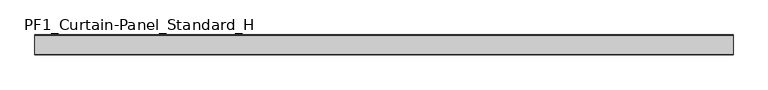
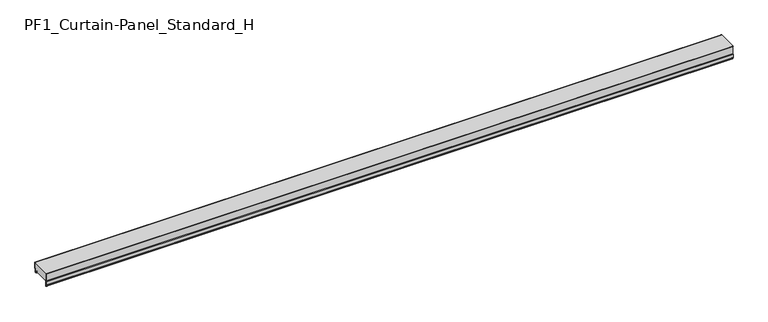
"""IFC4 building model written with IfcOpenShell, lengths in millimetres: plate geometry, PF1_Curtain-Panel_Standard_H."""

from ifc_helpers import new_model, si_unit, point, frame, frame_2d, origin, place, context, project, spatial, polyline, circle_curve, trimmed, segment, composite_curve, outline, extrude, source, transform, mapped, element, save


def pf1_curtain_panel_standard_h_df0beced(model_context):
    return source(origin(), model_context, "Body", "SweptSolid", [
        extrude(outline(composite_curve([segment(polyline([(-15.878557, 0.0), (-20.0, 0.0), (-20.0, 0.8), (-15.878557, 0.8)]), True, "CONTINUOUS"), segment(trimmed(circle_curve(frame_2d((-15.878557, -2.0)), 2.8), [point((-15.878557, 0.8))], [point((-13.1503208, -1.370137))], False, "CARTESIAN"), True, "CONTINUOUS"), segment(polyline([(-13.1503208, -1.370137), (-11.728236, -7.529863)]), True, "CONTINUOUS"), segment(trimmed(circle_curve(frame_2d((-9.0, -6.9)), 2.8), [point((-11.728236, -7.529863))], [point((-6.2, -6.9))], True, "CARTESIAN"), True, "CONTINUOUS"), segment(polyline([(-6.2, -6.9), (-6.2, 8.6)]), True, "CONTINUOUS"), segment(trimmed(circle_curve(frame_2d((-3.4, 8.6)), 2.8), [point((-6.2, 8.6))], [point((-3.4, 11.4))], False, "CARTESIAN"), True, "CONTINUOUS"), segment(polyline([(-3.4, 11.4), (-2.0, 11.4)]), True, "CONTINUOUS"), segment(trimmed(circle_curve(frame_2d((-2.0, 12.6)), 1.2), [point((-2.0, 11.4))], [point((-0.8, 12.6))], True, "CARTESIAN"), True, "CONTINUOUS"), segment(polyline([(-0.8, 12.6), (-0.8, 50.0), (0.0, 50.0), (0.0, 12.6)]), True, "CONTINUOUS"), segment(trimmed(circle_curve(frame_2d((-2.0, 12.6)), 2.0), [point((0.0, 12.6))], [point((-2.0, 10.6))], False, "CARTESIAN"), True, "CONTINUOUS"), segment(polyline([(-2.0, 10.6), (-3.4, 10.6)]), True, "CONTINUOUS"), segment(trimmed(circle_curve(frame_2d((-3.4, 8.6)), 2.0), [point((-3.4, 10.6))], [point((-5.4, 8.6))], True, "CARTESIAN"), True, "CONTINUOUS"), segment(polyline([(-5.4, 8.6), (-5.4, -6.9)]), True, "CONTINUOUS"), segment(trimmed(circle_curve(frame_2d((-9.0, -6.9)), 3.6), [point((-5.4, -6.9))], [point((-12.5077322, -7.7098239))], False, "CARTESIAN"), True, "CONTINUOUS"), segment(polyline([(-12.5077322, -7.7098239), (-13.929817, -1.5500979)]), True, "CONTINUOUS"), segment(trimmed(circle_curve(frame_2d((-15.878557, -2.0)), 2.0), [point((-13.929817, -1.5500979))], [point((-15.878557, 0.0))], True, "CARTESIAN"), True, "CONTINUOUS")], self_intersect=False)), frame((-2100.0, 0.0, 0.0), z_axis=(1.0, 0.0, 0.0), x_axis=(0.0, 1.0, 0.0)), (0.0, 0.0, 1.0), 4200.0),
        extrude(outline(composite_curve([segment(polyline([(-110.0, 0.0), (-113.5, 0.0)]), True, "CONTINUOUS"), segment(trimmed(circle_curve(frame_2d((-113.5, -2.0)), 2.0), [point((-113.5, 0.0))], [point((-115.5, -2.0))], True, "CARTESIAN"), True, "CONTINUOUS"), segment(polyline([(-115.5, -2.0), (-115.5, -33.0)]), True, "CONTINUOUS"), segment(trimmed(circle_curve(frame_2d((-116.5, -33.0)), 1.0), [point((-115.5, -33.0))], [point((-117.5, -33.0))], False, "CARTESIAN"), True, "CONTINUOUS"), segment(polyline([(-117.5, -33.0), (-117.5, -26.9)]), True, "CONTINUOUS"), segment(trimmed(circle_curve(frame_2d((-118.4, -26.9)), 0.9), [point((-117.5, -26.9))], [point((-118.4, -26.0))], True, "CARTESIAN"), True, "CONTINUOUS"), segment(trimmed(circle_curve(frame_2d((-118.4, -24.4)), 1.6), [point((-118.4, -26.0))], [point((-120.0, -24.4))], False, "CARTESIAN"), True, "CONTINUOUS"), segment(polyline([(-120.0, -24.4), (-120.0, -0.9952559), (-118.5, 1.6028217), (-118.5, 46.4028193), (-120.0, 49.0008969), (-120.0, 50.0), (-119.2, 50.0), (-119.2, 49.2152562), (-117.7, 46.6171786), (-117.7, 1.3884624), (-119.2, -1.2096152), (-119.2, -24.4)]), True, "CONTINUOUS"), segment(trimmed(circle_curve(frame_2d((-118.4, -24.4)), 0.8), [point((-119.2, -24.4))], [point((-118.4, -25.2))], True, "CARTESIAN"), True, "CONTINUOUS"), segment(trimmed(circle_curve(frame_2d((-118.6133333, -26.9)), 1.7133333), [point((-118.4, -25.2))], [point((-116.9, -26.9))], False, "CARTESIAN"), True, "CONTINUOUS"), segment(polyline([(-116.9, -26.9), (-116.9, -32.8700312)]), True, "CONTINUOUS"), segment(trimmed(circle_curve(frame_2d((-116.6, -32.8700312)), 0.3), [point((-116.9, -32.8700312))], [point((-116.3, -32.8700312))], True, "CARTESIAN"), True, "CONTINUOUS"), segment(polyline([(-116.3, -32.8700312), (-116.3, -2.0)]), True, "CONTINUOUS"), segment(trimmed(circle_curve(frame_2d((-113.5, -2.0)), 2.8), [point((-116.3, -2.0))], [point((-113.5, 0.8))], False, "CARTESIAN"), True, "CONTINUOUS"), segment(polyline([(-113.5, 0.8), (-110.0, 0.8), (-110.0, 0.0)]), True, "CONTINUOUS")], self_intersect=False)), frame((-2100.0, 0.0, 0.0), z_axis=(1.0, 0.0, 0.0), x_axis=(0.0, 1.0, 0.0)), (0.0, 0.0, 1.0), 4200.0),
        extrude(outline(composite_curve([segment(polyline([(-110.0, 0.8), (-113.5, 0.8)]), True, "CONTINUOUS"), segment(trimmed(circle_curve(frame_2d((-113.5, -2.0)), 2.8), [point((-113.5, 0.8))], [point((-116.3, -2.0))], True, "CARTESIAN"), True, "CONTINUOUS"), segment(polyline([(-116.3, -2.0), (-116.3, -32.8700312)]), True, "CONTINUOUS"), segment(trimmed(circle_curve(frame_2d((-116.6, -32.8700312)), 0.3), [point((-116.3, -32.8700312))], [point((-116.9, -32.8700312))], False, "CARTESIAN"), True, "CONTINUOUS"), segment(polyline([(-116.9, -32.8700312), (-116.9, -26.9)]), True, "CONTINUOUS"), segment(trimmed(circle_curve(frame_2d((-118.6133333, -26.9)), 1.7133333), [point((-116.9, -26.9))], [point((-118.4, -25.2))], True, "CARTESIAN"), True, "CONTINUOUS"), segment(trimmed(circle_curve(frame_2d((-118.4, -24.4)), 0.8), [point((-118.4, -25.2))], [point((-119.2, -24.4))], False, "CARTESIAN"), True, "CONTINUOUS"), segment(polyline([(-119.2, -24.4), (-119.2, -1.2096152), (-117.7, 1.3884624), (-117.7, 46.6171786), (-119.2, 49.2152562), (-119.2, 50.0), (-0.8, 50.0), (-0.8, 12.6)]), True, "CONTINUOUS"), segment(trimmed(circle_curve(frame_2d((-2.0, 12.6)), 1.2), [point((-0.8, 12.6))], [point((-2.0, 11.4))], False, "CARTESIAN"), True, "CONTINUOUS"), segment(polyline([(-2.0, 11.4), (-3.4, 11.4)]), True, "CONTINUOUS"), segment(trimmed(circle_curve(frame_2d((-3.4, 8.6)), 2.8), [point((-3.4, 11.4))], [point((-6.2, 8.6))], True, "CARTESIAN"), True, "CONTINUOUS"), segment(polyline([(-6.2, 8.6), (-6.2, -6.9)]), True, "CONTINUOUS"), segment(trimmed(circle_curve(frame_2d((-9.0, -6.9)), 2.8), [point((-6.2, -6.9))], [point((-11.7282362, -7.529863))], False, "CARTESIAN"), True, "CONTINUOUS"), segment(polyline([(-11.7282362, -7.529863), (-13.1503208, -1.370137)]), True, "CONTINUOUS"), segment(trimmed(circle_curve(frame_2d((-15.878557, -2.0)), 2.8), [point((-13.1503208, -1.370137))], [point((-15.878557, 0.8))], True, "CARTESIAN"), True, "CONTINUOUS"), segment(polyline([(-15.878557, 0.8), (-20.0, 0.8), (-20.0, 0.0), (-110.0, 0.0), (-110.0, 0.8)]), True, "CONTINUOUS")], self_intersect=False)), frame((-2100.0, 0.0, 0.0), z_axis=(1.0, 0.0, 0.0), x_axis=(0.0, 1.0, 0.0)), (0.0, 0.0, 1.0), 4200.0),
    ])


if __name__ == "__main__":
    model = new_model("IFC4")
    model_context = context("Model", 3, world=origin())
    ifc_project = project(units=[si_unit("LENGTHUNIT", "METRE", prefix="MILLI")], contexts=[model_context])
    site = spatial("IfcSite", under=ifc_project)
    building = spatial("IfcBuilding", under=site)
    placement = place(None, origin())
    pf1_curtain_panel_standard_h_shape = pf1_curtain_panel_standard_h_df0beced(model_context)
    element("IfcPlate", 1, ObjectType="PF1_Curtain-Panel_Standard_H", at=placement, inside=building, context=model_context, shape_type="MappedRepresentation", body=[
        mapped(pf1_curtain_panel_standard_h_shape, transform((0.0, 0.0, 0.0), x_axis=(1.0, 0.0, 0.0), y_axis=(0.0, 1.0, 0.0), z_axis=(0.0, 0.0, 1.0))),
    ])
    save(model, "model.ifc")
